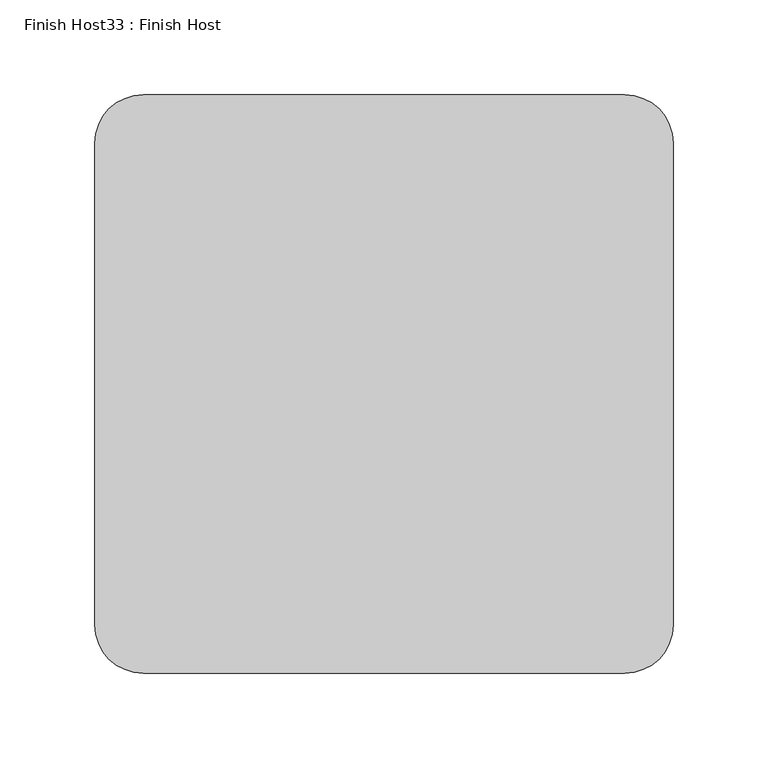
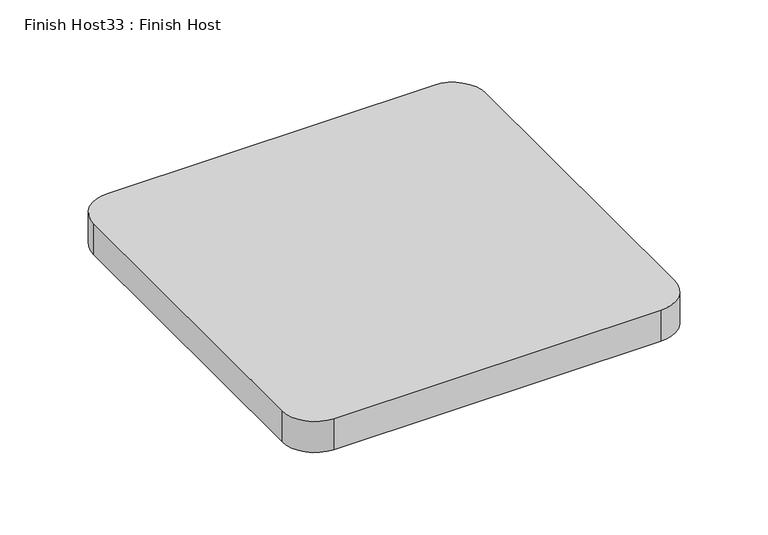
"""IFC4 building model written with IfcOpenShell, lengths in millimetres: proxy geometry, Finish Host33 : Finish Host."""

from ifc_helpers import new_model, si_unit, point, frame_2d, origin, origin_with_axes, place, context, project, spatial, polyline, circle_curve, trimmed, segment, composite_curve, outline, extrude, source, transform, mapped, element, save


def finish_host33_finish_host_6aa41282(model_context):
    return source(origin(), model_context, "Body", "SweptSolid", [
        extrude(outline(composite_curve([segment(polyline([(1546.6934426, 3188.0122951), (1546.6934426, 3442.0122951)]), True, "CONTINUOUS"), segment(trimmed(circle_curve(frame_2d((1572.0934426, 3442.0122951)), 25.4), [point((1546.6934426, 3442.0122951))], [point((1572.0934426, 3467.4122951))], False, "CARTESIAN"), True, "CONTINUOUS"), segment(polyline([(1572.0934426, 3467.4122951), (1826.0934426, 3467.4122951)]), True, "CONTINUOUS"), segment(trimmed(circle_curve(frame_2d((1826.0934426, 3442.0122951)), 25.4), [point((1826.0934426, 3467.4122951))], [point((1851.4934426, 3442.0122951))], False, "CARTESIAN"), True, "CONTINUOUS"), segment(polyline([(1851.4934426, 3442.0122951), (1851.4934426, 3188.0122951)]), True, "CONTINUOUS"), segment(trimmed(circle_curve(frame_2d((1826.0934426, 3188.0122951)), 25.4), [point((1851.4934426, 3188.0122951))], [point((1826.0934426, 3162.6122951))], False, "CARTESIAN"), True, "CONTINUOUS"), segment(polyline([(1826.0934426, 3162.6122951), (1572.0934426, 3162.6122951)]), True, "CONTINUOUS"), segment(trimmed(circle_curve(frame_2d((1572.0934426, 3188.0122951)), 25.4), [point((1572.0934426, 3162.6122951))], [point((1546.6934426, 3188.0122951))], False, "CARTESIAN"), True, "CONTINUOUS")], self_intersect=False)), origin_with_axes(), (0.0, 0.0, 1.0), 25.4),
    ])


if __name__ == "__main__":
    model = new_model("IFC4")
    model_context = context("Model", 3, world=origin())
    ifc_project = project(units=[si_unit("LENGTHUNIT", "METRE", prefix="MILLI")], contexts=[model_context])
    site = spatial("IfcSite", under=ifc_project)
    building = spatial("IfcBuilding", under=site)
    placement = place(None, origin())
    finish_host33_finish_host_shape = finish_host33_finish_host_6aa41282(model_context)
    element("IfcBuildingElementProxy", 1, Name="Finish Host33 : Finish Host", ObjectType="Finish Host33 : Finish Host", at=placement, inside=building, context=model_context, shape_type="MappedRepresentation", body=[
        mapped(finish_host33_finish_host_shape, transform((0.0, 0.0, 0.0), x_axis=(1.0, 0.0, 0.0), y_axis=(0.0, 1.0, 0.0), z_axis=(0.0, 0.0, 1.0))),
    ])
    save(model, "model.ifc")
